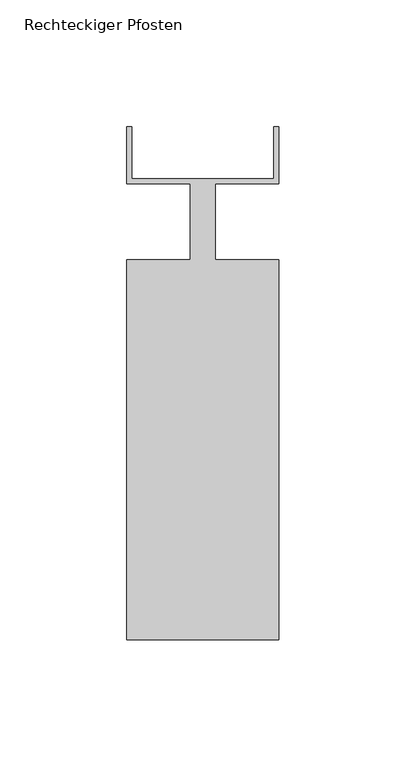
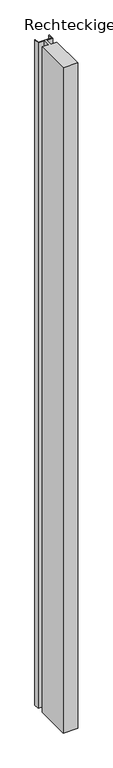
"""IFC4 building model written with IfcOpenShell, lengths in millimetres: member geometry, Rechteckiger Pfosten."""

import ifcopenshell
import ifcopenshell.guid

model = None  # the IFC model being written
_history = None  # IfcOwnerHistory: only IFC2X3 demands one
_inside = {}  # id of a spatial element -> (the spatial element, [elements in it])
_under = {}  # id of a project, library or spatial element -> (it, [spatial elements below it])
_declared = {}  # id of a project -> (the project, [libraries it declares])
_typed = {}  # id of a type object -> (the type object, [elements of that type])
_made_of = {}  # id of a material, layer set ... -> (it, [elements and type objects made of it])


def new_model(schema):
    """Start an empty IFC model of exactly this schema.

    Asked for "IFC4X3", IfcOpenShell would pick the latest addendum, in which some entities
    have other attributes; the version numbers below select the first issue.
    IFC2X3 requires an IfcOwnerHistory on every rooted entity: one is made here for all.
    """
    global model, _history
    if schema == "IFC4X3":
        model = ifcopenshell.file(schema_version=(4, 3, 0, 0))
    else:
        model = ifcopenshell.file(schema=schema)
    _inside.clear()
    _under.clear()
    _declared.clear()
    _typed.clear()
    _made_of.clear()
    _history = None
    if model.schema == "IFC2X3":
        org = make("IfcOrganization", Name="unknown")
        user = make(
            "IfcPersonAndOrganization",
            ThePerson=make("IfcPerson", FamilyName="unknown"),
            TheOrganization=org,
        )
        app = make(
            "IfcApplication",
            ApplicationDeveloper=org,
            Version="unknown",
            ApplicationFullName="unknown",
            ApplicationIdentifier="unknown",
        )
        _history = make(
            "IfcOwnerHistory",
            OwningUser=user,
            OwningApplication=app,
            ChangeAction="ADDED",
            CreationDate=0,
        )
    return model


def make(cls, **values):
    """One entity of the class cls with the attributes given. An attribute that is None is left unset."""
    return model.create_entity(
        cls, **{name: value for name, value in values.items() if value is not None}
    )


def rooted(cls, **values):
    """An entity with a GlobalId (a new one), such as an element, a storey or a relation."""
    return make(cls, GlobalId=ifcopenshell.guid.new(), OwnerHistory=_history, **values)


def si_unit(unit_type, name, prefix=None):
    """IfcSIUnit, for example si_unit("LENGTHUNIT", "METRE", prefix="MILLI")."""
    return make("IfcSIUnit", UnitType=unit_type, Prefix=prefix, Name=name)


def assignment(units):
    """IfcUnitAssignment: the units of a project."""
    return None if units is None else make("IfcUnitAssignment", Units=units)


def point(xyz):
    """IfcCartesianPoint."""
    return None if xyz is None else make("IfcCartesianPoint", Coordinates=xyz)


def direction(xyz):
    """IfcDirection."""
    return None if xyz is None else make("IfcDirection", DirectionRatios=xyz)


def frame(location, z_axis=None, x_axis=None):
    """IfcAxis2Placement3D, a coordinate frame: its origin and axes. An axis left out is left unset."""
    return make(
        "IfcAxis2Placement3D",
        Location=point(location),
        Axis=direction(z_axis),
        RefDirection=direction(x_axis),
    )


def origin():
    """The frame at (0, 0, 0) with its axes left unset."""
    return frame((0.0, 0.0, 0.0))


def place(relative_to, where):
    """IfcLocalPlacement: puts the frame where relative to a parent placement (None: the world)."""
    return make(
        "IfcLocalPlacement", PlacementRelTo=relative_to, RelativePlacement=where
    )


def context(
    kind, dimensions, precision=None, world=None, true_north=None, identifier=None
):
    """IfcGeometricRepresentationContext, for example the 3D "Model" context."""
    return make(
        "IfcGeometricRepresentationContext",
        ContextIdentifier=identifier,
        ContextType=kind,
        CoordinateSpaceDimension=dimensions,
        Precision=precision,
        WorldCoordinateSystem=world,
        TrueNorth=true_north,
    )


def project(units=None, contexts=None):
    """IfcProject with its units and contexts."""
    return rooted(
        "IfcProject",
        Name="project",
        RepresentationContexts=contexts,
        UnitsInContext=assignment(units),
    )


def spatial(cls, under=None, at=None, **own):
    """A site, building, storey or space (cls), placed at a placement, below another one or the project."""
    s = rooted(cls, ObjectPlacement=at, **own)
    if under is not None:
        _under.setdefault(under.id(), (under, []))[1].append(s)
    return s


def polyline(points):
    """IfcPolyline through the points."""
    return make("IfcPolyline", Points=[point(p) for p in points])


def outline(outer, holes=None, kind="AREA"):
    """IfcArbitraryClosedProfileDef: a profile drawn as a closed curve; with holes, ...WithVoids."""
    if holes is None:
        return make("IfcArbitraryClosedProfileDef", ProfileType=kind, OuterCurve=outer)
    return make(
        "IfcArbitraryProfileDefWithVoids",
        ProfileType=kind,
        OuterCurve=outer,
        InnerCurves=holes,
    )


def extrude(swept, where, along, depth):
    """IfcExtrudedAreaSolid: the profile swept, set in the frame where, extruded along a direction by depth."""
    return make(
        "IfcExtrudedAreaSolid",
        SweptArea=swept,
        Position=where,
        ExtrudedDirection=direction(along),
        Depth=depth,
    )


def shape(context_of_items, identifier, shape_type, items):
    """IfcShapeRepresentation: the items that make up one representation, for example the "Body"."""
    return make(
        "IfcShapeRepresentation",
        ContextOfItems=context_of_items,
        RepresentationIdentifier=identifier,
        RepresentationType=shape_type,
        Items=items,
    )


def source(mapping_origin, context_of_items, identifier, shape_type, items):
    """IfcRepresentationMap: a shape defined once, which mapped items show again and again."""
    return make(
        "IfcRepresentationMap",
        MappingOrigin=mapping_origin,
        MappedRepresentation=shape(context_of_items, identifier, shape_type, items),
    )


def transform(
    local_origin,
    x_axis=None,
    y_axis=None,
    z_axis=None,
    scale=None,
    scale2=None,
    scale3=None,
    uniform=True,
):
    """IfcCartesianTransformationOperator3D, or its non-uniform kind. x_axis, y_axis, z_axis: its Axis1, 2, 3."""
    if uniform:
        return make(
            "IfcCartesianTransformationOperator3D",
            Axis1=direction(x_axis),
            Axis2=direction(y_axis),
            LocalOrigin=point(local_origin),
            Scale=scale,
            Axis3=direction(z_axis),
        )
    return make(
        "IfcCartesianTransformationOperator3DnonUniform",
        Axis1=direction(x_axis),
        Axis2=direction(y_axis),
        LocalOrigin=point(local_origin),
        Scale=scale,
        Axis3=direction(z_axis),
        Scale2=scale2,
        Scale3=scale3,
    )


def mapped(mapping_source, mapping_target):
    """IfcMappedItem: shows the shape of a source again, moved by a transform."""
    return make(
        "IfcMappedItem", MappingSource=mapping_source, MappingTarget=mapping_target
    )


def made_of(thing, what):
    """Note that an element or type object is made of a material, layer set ...; save() writes the relation."""
    if what is not None:
        _made_of.setdefault(what.id(), (what, []))[1].append(thing)
    return thing


def element(
    cls,
    number,
    at=None,
    inside=None,
    cuts=None,
    type_object=None,
    material=None,
    context=None,
    identifier="Body",
    shape_type=None,
    held_by="IfcProductDefinitionShape",
    body=None,
    shapes=None,
    **own,
):
    """One element of the class cls, such as IfcWall. Its Tag is "e" and its number.

    at: its placement. inside: the storey or other place that contains it. cuts: it is an
    opening in that element (IfcRelVoidsElement). A single representation is given by context,
    identifier, shape_type and body (its items); several are given by shapes. held_by: the class
    of the entity that holds the representations. save() writes the other relations.
    """
    e = rooted(cls, Tag="e%d" % number, ObjectPlacement=at, **own)
    if body is not None:
        shapes = [shape(context, identifier, shape_type, body)]
    if shapes is not None:
        e.Representation = make(held_by, Representations=shapes)
    if inside is not None:
        _inside.setdefault(inside.id(), (inside, []))[1].append(e)
    if cuts is not None:
        rooted(
            "IfcRelVoidsElement", RelatingBuildingElement=cuts, RelatedOpeningElement=e
        )
    if type_object is not None:
        _typed.setdefault(type_object.id(), (type_object, []))[1].append(e)
    return made_of(e, material)


def aggregate(whole, parts):
    """IfcRelAggregates: a whole, such as a stair, and the parts it consists of."""
    return rooted("IfcRelAggregates", RelatingObject=whole, RelatedObjects=parts)


def save(model, path):
    """Write the relations noted so far, then the file.

    IfcRelAggregates (storeys below a building ...), IfcRelContainedInSpatialStructure (elements
    in a storey), IfcRelDefinesByType, IfcRelAssociatesMaterial and IfcRelDeclares: one each for
    every whole, place, type object, material and project.
    """
    for whole, parts in _under.values():
        aggregate(whole, parts)
    for where, things in _inside.values():
        rooted(
            "IfcRelContainedInSpatialStructure",
            RelatedElements=things,
            RelatingStructure=where,
        )
    for kind, things in _typed.values():
        rooted("IfcRelDefinesByType", RelatedObjects=things, RelatingType=kind)
    for what, things in _made_of.values():
        rooted("IfcRelAssociatesMaterial", RelatedObjects=things, RelatingMaterial=what)
    for by, libraries in _declared.values():
        rooted("IfcRelDeclares", RelatingContext=by, RelatedDefinitions=libraries)
    model.write(path)


def rechteckiger_pfosten_05c3386d(model_context):
    return source(origin(), model_context, "Body", "SweptSolid", [
        extrude(outline(polyline([(28.0, 37.5), (30.0, 37.5), (30.0, 15.0), (5.0, 15.0), (5.0, -15.0), (30.0, -15.0), (30.0, -165.0), (-30.0, -165.0), (-30.0, -15.0), (-5.0, -15.0), (-5.0, 15.0), (-30.0, 15.0), (-30.0, 37.5), (-28.0, 37.5), (-28.0, 17.0), (28.0, 17.0), (28.0, 37.5)])), frame((0.0, 0.0, -2910.0), z_axis=(0.0, 0.0, 1.0), x_axis=(1.0, 0.0, 0.0)), (0.0, 0.0, 1.0), 2910.0),
    ])


if __name__ == "__main__":
    model = new_model("IFC4")
    model_context = context("Model", 3, world=origin())
    ifc_project = project(units=[si_unit("LENGTHUNIT", "METRE", prefix="MILLI")], contexts=[model_context])
    site = spatial("IfcSite", under=ifc_project)
    building = spatial("IfcBuilding", under=site)
    placement = place(None, origin())
    rechteckiger_pfosten_shape = rechteckiger_pfosten_05c3386d(model_context)
    element("IfcMember", 1, ObjectType="Rechteckiger Pfosten", at=placement, inside=building, context=model_context, shape_type="MappedRepresentation", body=[
        mapped(rechteckiger_pfosten_shape, transform((0.0, 0.0, 0.0), x_axis=(1.0, 0.0, 0.0), y_axis=(0.0, 1.0, 0.0), z_axis=(0.0, 0.0, 1.0))),
    ])
    save(model, "model.ifc")
